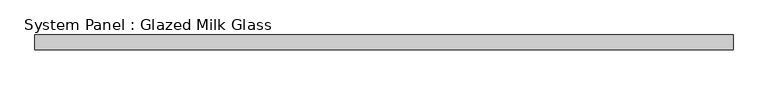
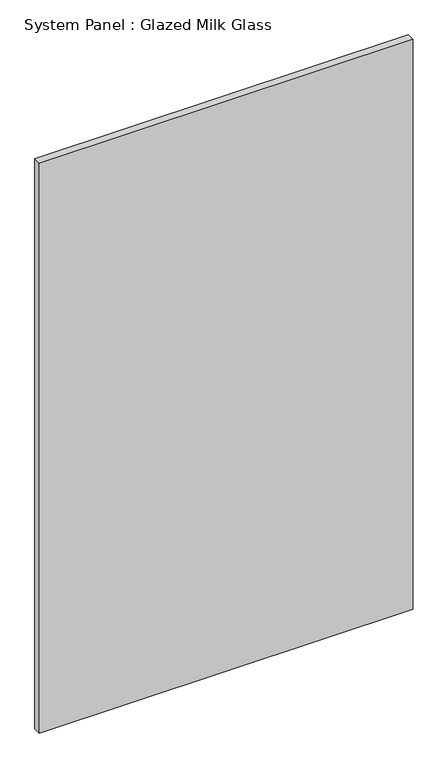
"""IFC4 building model written with IfcOpenShell, lengths in millimetres: plate geometry, System Panel : Glazed Milk Glass."""

import ifcopenshell
import ifcopenshell.guid

model = None  # the IFC model being written
_history = None  # IfcOwnerHistory: only IFC2X3 demands one
_inside = {}  # id of a spatial element -> (the spatial element, [elements in it])
_under = {}  # id of a project, library or spatial element -> (it, [spatial elements below it])
_declared = {}  # id of a project -> (the project, [libraries it declares])
_typed = {}  # id of a type object -> (the type object, [elements of that type])
_made_of = {}  # id of a material, layer set ... -> (it, [elements and type objects made of it])


def new_model(schema):
    """Start an empty IFC model of exactly this schema.

    Asked for "IFC4X3", IfcOpenShell would pick the latest addendum, in which some entities
    have other attributes; the version numbers below select the first issue.
    IFC2X3 requires an IfcOwnerHistory on every rooted entity: one is made here for all.
    """
    global model, _history
    if schema == "IFC4X3":
        model = ifcopenshell.file(schema_version=(4, 3, 0, 0))
    else:
        model = ifcopenshell.file(schema=schema)
    _inside.clear()
    _under.clear()
    _declared.clear()
    _typed.clear()
    _made_of.clear()
    _history = None
    if model.schema == "IFC2X3":
        org = make("IfcOrganization", Name="unknown")
        user = make(
            "IfcPersonAndOrganization",
            ThePerson=make("IfcPerson", FamilyName="unknown"),
            TheOrganization=org,
        )
        app = make(
            "IfcApplication",
            ApplicationDeveloper=org,
            Version="unknown",
            ApplicationFullName="unknown",
            ApplicationIdentifier="unknown",
        )
        _history = make(
            "IfcOwnerHistory",
            OwningUser=user,
            OwningApplication=app,
            ChangeAction="ADDED",
            CreationDate=0,
        )
    return model


def make(cls, **values):
    """One entity of the class cls with the attributes given. An attribute that is None is left unset."""
    return model.create_entity(
        cls, **{name: value for name, value in values.items() if value is not None}
    )


def rooted(cls, **values):
    """An entity with a GlobalId (a new one), such as an element, a storey or a relation."""
    return make(cls, GlobalId=ifcopenshell.guid.new(), OwnerHistory=_history, **values)


def si_unit(unit_type, name, prefix=None):
    """IfcSIUnit, for example si_unit("LENGTHUNIT", "METRE", prefix="MILLI")."""
    return make("IfcSIUnit", UnitType=unit_type, Prefix=prefix, Name=name)


def assignment(units):
    """IfcUnitAssignment: the units of a project."""
    return None if units is None else make("IfcUnitAssignment", Units=units)


def point(xyz):
    """IfcCartesianPoint."""
    return None if xyz is None else make("IfcCartesianPoint", Coordinates=xyz)


def direction(xyz):
    """IfcDirection."""
    return None if xyz is None else make("IfcDirection", DirectionRatios=xyz)


def frame(location, z_axis=None, x_axis=None):
    """IfcAxis2Placement3D, a coordinate frame: its origin and axes. An axis left out is left unset."""
    return make(
        "IfcAxis2Placement3D",
        Location=point(location),
        Axis=direction(z_axis),
        RefDirection=direction(x_axis),
    )


def origin():
    """The frame at (0, 0, 0) with its axes left unset."""
    return frame((0.0, 0.0, 0.0))


def origin_with_axes():
    """The frame at (0, 0, 0) with the z axis (0, 0, 1) and the x axis (1, 0, 0) written out."""
    return frame((0.0, 0.0, 0.0), z_axis=(0.0, 0.0, 1.0), x_axis=(1.0, 0.0, 0.0))


def place(relative_to, where):
    """IfcLocalPlacement: puts the frame where relative to a parent placement (None: the world)."""
    return make(
        "IfcLocalPlacement", PlacementRelTo=relative_to, RelativePlacement=where
    )


def context(
    kind, dimensions, precision=None, world=None, true_north=None, identifier=None
):
    """IfcGeometricRepresentationContext, for example the 3D "Model" context."""
    return make(
        "IfcGeometricRepresentationContext",
        ContextIdentifier=identifier,
        ContextType=kind,
        CoordinateSpaceDimension=dimensions,
        Precision=precision,
        WorldCoordinateSystem=world,
        TrueNorth=true_north,
    )


def project(units=None, contexts=None):
    """IfcProject with its units and contexts."""
    return rooted(
        "IfcProject",
        Name="project",
        RepresentationContexts=contexts,
        UnitsInContext=assignment(units),
    )


def spatial(cls, under=None, at=None, **own):
    """A site, building, storey or space (cls), placed at a placement, below another one or the project."""
    s = rooted(cls, ObjectPlacement=at, **own)
    if under is not None:
        _under.setdefault(under.id(), (under, []))[1].append(s)
    return s


def polyline(points):
    """IfcPolyline through the points."""
    return make("IfcPolyline", Points=[point(p) for p in points])


def outline(outer, holes=None, kind="AREA"):
    """IfcArbitraryClosedProfileDef: a profile drawn as a closed curve; with holes, ...WithVoids."""
    if holes is None:
        return make("IfcArbitraryClosedProfileDef", ProfileType=kind, OuterCurve=outer)
    return make(
        "IfcArbitraryProfileDefWithVoids",
        ProfileType=kind,
        OuterCurve=outer,
        InnerCurves=holes,
    )


def extrude(swept, where, along, depth):
    """IfcExtrudedAreaSolid: the profile swept, set in the frame where, extruded along a direction by depth."""
    return make(
        "IfcExtrudedAreaSolid",
        SweptArea=swept,
        Position=where,
        ExtrudedDirection=direction(along),
        Depth=depth,
    )


def shape(context_of_items, identifier, shape_type, items):
    """IfcShapeRepresentation: the items that make up one representation, for example the "Body"."""
    return make(
        "IfcShapeRepresentation",
        ContextOfItems=context_of_items,
        RepresentationIdentifier=identifier,
        RepresentationType=shape_type,
        Items=items,
    )


def source(mapping_origin, context_of_items, identifier, shape_type, items):
    """IfcRepresentationMap: a shape defined once, which mapped items show again and again."""
    return make(
        "IfcRepresentationMap",
        MappingOrigin=mapping_origin,
        MappedRepresentation=shape(context_of_items, identifier, shape_type, items),
    )


def transform(
    local_origin,
    x_axis=None,
    y_axis=None,
    z_axis=None,
    scale=None,
    scale2=None,
    scale3=None,
    uniform=True,
):
    """IfcCartesianTransformationOperator3D, or its non-uniform kind. x_axis, y_axis, z_axis: its Axis1, 2, 3."""
    if uniform:
        return make(
            "IfcCartesianTransformationOperator3D",
            Axis1=direction(x_axis),
            Axis2=direction(y_axis),
            LocalOrigin=point(local_origin),
            Scale=scale,
            Axis3=direction(z_axis),
        )
    return make(
        "IfcCartesianTransformationOperator3DnonUniform",
        Axis1=direction(x_axis),
        Axis2=direction(y_axis),
        LocalOrigin=point(local_origin),
        Scale=scale,
        Axis3=direction(z_axis),
        Scale2=scale2,
        Scale3=scale3,
    )


def mapped(mapping_source, mapping_target):
    """IfcMappedItem: shows the shape of a source again, moved by a transform."""
    return make(
        "IfcMappedItem", MappingSource=mapping_source, MappingTarget=mapping_target
    )


def made_of(thing, what):
    """Note that an element or type object is made of a material, layer set ...; save() writes the relation."""
    if what is not None:
        _made_of.setdefault(what.id(), (what, []))[1].append(thing)
    return thing


def element(
    cls,
    number,
    at=None,
    inside=None,
    cuts=None,
    type_object=None,
    material=None,
    context=None,
    identifier="Body",
    shape_type=None,
    held_by="IfcProductDefinitionShape",
    body=None,
    shapes=None,
    **own,
):
    """One element of the class cls, such as IfcWall. Its Tag is "e" and its number.

    at: its placement. inside: the storey or other place that contains it. cuts: it is an
    opening in that element (IfcRelVoidsElement). A single representation is given by context,
    identifier, shape_type and body (its items); several are given by shapes. held_by: the class
    of the entity that holds the representations. save() writes the other relations.
    """
    e = rooted(cls, Tag="e%d" % number, ObjectPlacement=at, **own)
    if body is not None:
        shapes = [shape(context, identifier, shape_type, body)]
    if shapes is not None:
        e.Representation = make(held_by, Representations=shapes)
    if inside is not None:
        _inside.setdefault(inside.id(), (inside, []))[1].append(e)
    if cuts is not None:
        rooted(
            "IfcRelVoidsElement", RelatingBuildingElement=cuts, RelatedOpeningElement=e
        )
    if type_object is not None:
        _typed.setdefault(type_object.id(), (type_object, []))[1].append(e)
    return made_of(e, material)


def aggregate(whole, parts):
    """IfcRelAggregates: a whole, such as a stair, and the parts it consists of."""
    return rooted("IfcRelAggregates", RelatingObject=whole, RelatedObjects=parts)


def save(model, path):
    """Write the relations noted so far, then the file.

    IfcRelAggregates (storeys below a building ...), IfcRelContainedInSpatialStructure (elements
    in a storey), IfcRelDefinesByType, IfcRelAssociatesMaterial and IfcRelDeclares: one each for
    every whole, place, type object, material and project.
    """
    for whole, parts in _under.values():
        aggregate(whole, parts)
    for where, things in _inside.values():
        rooted(
            "IfcRelContainedInSpatialStructure",
            RelatedElements=things,
            RelatingStructure=where,
        )
    for kind, things in _typed.values():
        rooted("IfcRelDefinesByType", RelatedObjects=things, RelatingType=kind)
    for what, things in _made_of.values():
        rooted("IfcRelAssociatesMaterial", RelatedObjects=things, RelatingMaterial=what)
    for by, libraries in _declared.values():
        rooted("IfcRelDeclares", RelatingContext=by, RelatedDefinitions=libraries)
    model.write(path)


def system_panel_glazed_milk_glass_3a6770f8(model_context):
    return source(origin(), model_context, "Body", "SweptSolid", [
        extrude(outline(polyline([(597.5000002, -12.5), (-597.5000002, -12.5), (-597.5000002, 12.5), (597.5000002, 12.5), (597.5000002, -12.5)])), origin_with_axes(), (0.0, 0.0, 1.0), 1925.0),
    ])


if __name__ == "__main__":
    model = new_model("IFC4")
    model_context = context("Model", 3, world=origin())
    ifc_project = project(units=[si_unit("LENGTHUNIT", "METRE", prefix="MILLI")], contexts=[model_context])
    site = spatial("IfcSite", under=ifc_project)
    building = spatial("IfcBuilding", under=site)
    placement = place(None, origin())
    system_panel_glazed_milk_glass_shape = system_panel_glazed_milk_glass_3a6770f8(model_context)
    element("IfcPlate", 1, ObjectType="System Panel : Glazed Milk Glass", at=placement, inside=building, context=model_context, shape_type="MappedRepresentation", body=[
        mapped(system_panel_glazed_milk_glass_shape, transform((0.0, 0.0, 0.0), x_axis=(1.0, 0.0, 0.0), y_axis=(0.0, 1.0, 0.0), z_axis=(0.0, 0.0, 1.0))),
    ])
    save(model, "model.ifc")
